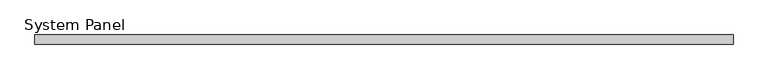
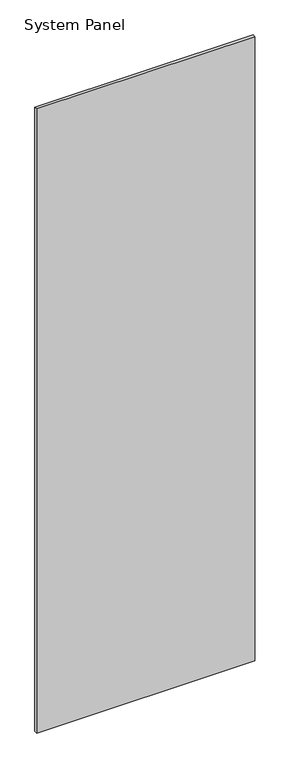
"""IFC4 building model written with IfcOpenShell, lengths in millimetres: plate geometry, System Panel."""

from ifc_helpers import new_model, si_unit, origin, origin_with_axes, place, context, project, spatial, polyline, outline, extrude, source, transform, mapped, element, save


def system_panel_4d27f335(model_context):
    return source(origin(), model_context, "Body", "SweptSolid", [
        extrude(outline(polyline([(592.5, -8.0), (-592.5, -8.0), (-592.5, 8.0), (592.5, 8.0), (592.5, -8.0)])), origin_with_axes(), (0.0, 0.0, 1.0), 3585.0),
    ])


if __name__ == "__main__":
    model = new_model("IFC4")
    model_context = context("Model", 3, world=origin())
    ifc_project = project(units=[si_unit("LENGTHUNIT", "METRE", prefix="MILLI")], contexts=[model_context])
    site = spatial("IfcSite", under=ifc_project)
    building = spatial("IfcBuilding", under=site)
    placement = place(None, origin())
    system_panel_shape = system_panel_4d27f335(model_context)
    element("IfcPlate", 1, ObjectType="System Panel", at=placement, inside=building, context=model_context, shape_type="MappedRepresentation", body=[
        mapped(system_panel_shape, transform((0.0, 0.0, 0.0), x_axis=(1.0, 0.0, 0.0), y_axis=(0.0, 1.0, 0.0), z_axis=(0.0, 0.0, 1.0))),
    ])
    save(model, "model.ifc")
